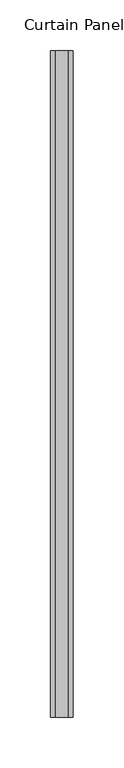
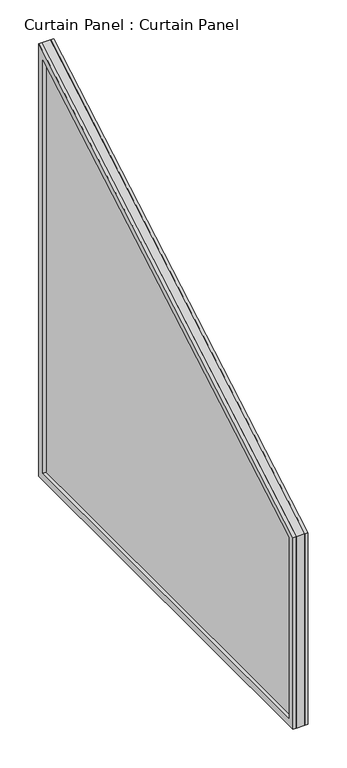
"""IFC4 building model written with IfcOpenShell, lengths in millimetres: plate geometry, Curtain Panel : Curtain Panel."""

from ifc_helpers import new_model, si_unit, frame, origin, place, context, project, spatial, polyline, outline, extrude, source, transform, mapped, element, save


def curtain_panel_curtain_panel_3795e208(model_context):
    return source(origin(), model_context, "Body", "SweptSolid", [
        extrude(outline(polyline([(-13805.3897399, 591.0899159), (-13805.3897399, 893.3362795), (-13147.1860585, 1273.3503521), (-13147.1860585, 591.0899159), (-13805.3897399, 591.0899159)]), holes=[polyline([(-13158.2379169, 602.1417742), (-13158.2379169, 1254.2079719), (-13794.3378815, 886.9554861), (-13794.3378815, 602.1417742), (-13158.2379169, 602.1417742)])]), frame((12102.575049, 0.0, 0.0), z_axis=(1.0, 0.0, 0.0), x_axis=(0.0, 1.0, 0.0)), (0.0, 0.0, 1.0), 4.7799089),
        extrude(outline(polyline([(-13805.3897399, 591.0899159), (-13805.3897399, 893.3362795), (-13147.1860585, 1273.3503521), (-13147.1860585, 591.0899159), (-13805.3897399, 591.0899159)]), holes=[polyline([(-13158.2379169, 602.1417742), (-13158.2379169, 1254.2079719), (-13794.3378815, 886.9554861), (-13794.3378815, 602.1417742), (-13158.2379169, 602.1417742)])]), frame((12084.8759579, 0.0, 0.0), z_axis=(1.0, 0.0, 0.0), x_axis=(0.0, 1.0, 0.0)), (0.0, 0.0, 1.0), 4.7498),
        extrude(outline(polyline([(-13805.3897399, 591.0899159), (-13805.3897399, 893.3362795), (-13147.1860585, 1273.3503521), (-13147.1860585, 591.0899159), (-13805.3897399, 591.0899159)])), frame((12089.6257579, 0.0, 0.0), z_axis=(1.0, 0.0, 0.0), x_axis=(0.0, 1.0, 0.0)), (0.0, 0.0, 1.0), 12.9492911),
    ])


if __name__ == "__main__":
    model = new_model("IFC4")
    model_context = context("Model", 3, world=origin())
    ifc_project = project(units=[si_unit("LENGTHUNIT", "METRE", prefix="MILLI")], contexts=[model_context])
    site = spatial("IfcSite", under=ifc_project)
    building = spatial("IfcBuilding", under=site)
    placement = place(None, origin())
    curtain_panel_curtain_panel_shape = curtain_panel_curtain_panel_3795e208(model_context)
    element("IfcPlate", 1, ObjectType="Curtain Panel : Curtain Panel", at=placement, inside=building, context=model_context, shape_type="MappedRepresentation", body=[
        mapped(curtain_panel_curtain_panel_shape, transform((0.0, 0.0, 0.0), x_axis=(1.0, 0.0, 0.0), y_axis=(0.0, 1.0, 0.0), z_axis=(0.0, 0.0, 1.0))),
    ])
    save(model, "model.ifc")
